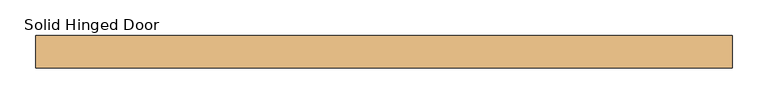
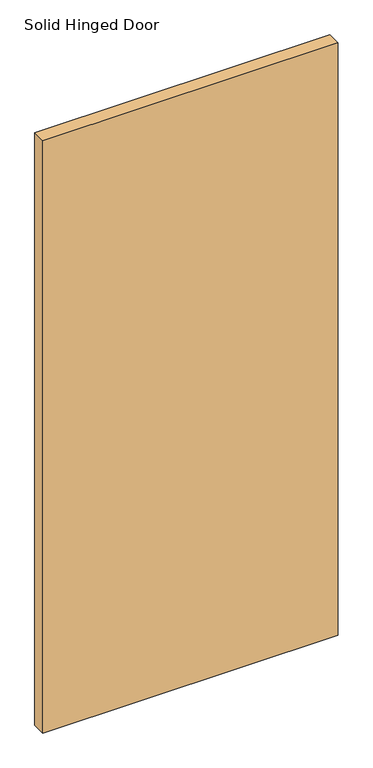
"""IFC4 building model written with IfcOpenShell, lengths in millimetres: door geometry, Solid Hinged Door."""

import ifcopenshell
import ifcopenshell.guid

model = None  # the IFC model being written
_history = None  # IfcOwnerHistory: only IFC2X3 demands one
_inside = {}  # id of a spatial element -> (the spatial element, [elements in it])
_under = {}  # id of a project, library or spatial element -> (it, [spatial elements below it])
_declared = {}  # id of a project -> (the project, [libraries it declares])
_typed = {}  # id of a type object -> (the type object, [elements of that type])
_made_of = {}  # id of a material, layer set ... -> (it, [elements and type objects made of it])


def new_model(schema):
    """Start an empty IFC model of exactly this schema.

    Asked for "IFC4X3", IfcOpenShell would pick the latest addendum, in which some entities
    have other attributes; the version numbers below select the first issue.
    IFC2X3 requires an IfcOwnerHistory on every rooted entity: one is made here for all.
    """
    global model, _history
    if schema == "IFC4X3":
        model = ifcopenshell.file(schema_version=(4, 3, 0, 0))
    else:
        model = ifcopenshell.file(schema=schema)
    _inside.clear()
    _under.clear()
    _declared.clear()
    _typed.clear()
    _made_of.clear()
    _history = None
    if model.schema == "IFC2X3":
        org = make("IfcOrganization", Name="unknown")
        user = make(
            "IfcPersonAndOrganization",
            ThePerson=make("IfcPerson", FamilyName="unknown"),
            TheOrganization=org,
        )
        app = make(
            "IfcApplication",
            ApplicationDeveloper=org,
            Version="unknown",
            ApplicationFullName="unknown",
            ApplicationIdentifier="unknown",
        )
        _history = make(
            "IfcOwnerHistory",
            OwningUser=user,
            OwningApplication=app,
            ChangeAction="ADDED",
            CreationDate=0,
        )
    return model


def make(cls, **values):
    """One entity of the class cls with the attributes given. An attribute that is None is left unset."""
    return model.create_entity(
        cls, **{name: value for name, value in values.items() if value is not None}
    )


def rooted(cls, **values):
    """An entity with a GlobalId (a new one), such as an element, a storey or a relation."""
    return make(cls, GlobalId=ifcopenshell.guid.new(), OwnerHistory=_history, **values)


def si_unit(unit_type, name, prefix=None):
    """IfcSIUnit, for example si_unit("LENGTHUNIT", "METRE", prefix="MILLI")."""
    return make("IfcSIUnit", UnitType=unit_type, Prefix=prefix, Name=name)


def assignment(units):
    """IfcUnitAssignment: the units of a project."""
    return None if units is None else make("IfcUnitAssignment", Units=units)


def point(xyz):
    """IfcCartesianPoint."""
    return None if xyz is None else make("IfcCartesianPoint", Coordinates=xyz)


def direction(xyz):
    """IfcDirection."""
    return None if xyz is None else make("IfcDirection", DirectionRatios=xyz)


def frame(location, z_axis=None, x_axis=None):
    """IfcAxis2Placement3D, a coordinate frame: its origin and axes. An axis left out is left unset."""
    return make(
        "IfcAxis2Placement3D",
        Location=point(location),
        Axis=direction(z_axis),
        RefDirection=direction(x_axis),
    )


def origin():
    """The frame at (0, 0, 0) with its axes left unset."""
    return frame((0.0, 0.0, 0.0))


def place(relative_to, where):
    """IfcLocalPlacement: puts the frame where relative to a parent placement (None: the world)."""
    return make(
        "IfcLocalPlacement", PlacementRelTo=relative_to, RelativePlacement=where
    )


def context(
    kind, dimensions, precision=None, world=None, true_north=None, identifier=None
):
    """IfcGeometricRepresentationContext, for example the 3D "Model" context."""
    return make(
        "IfcGeometricRepresentationContext",
        ContextIdentifier=identifier,
        ContextType=kind,
        CoordinateSpaceDimension=dimensions,
        Precision=precision,
        WorldCoordinateSystem=world,
        TrueNorth=true_north,
    )


def project(units=None, contexts=None):
    """IfcProject with its units and contexts."""
    return rooted(
        "IfcProject",
        Name="project",
        RepresentationContexts=contexts,
        UnitsInContext=assignment(units),
    )


def spatial(cls, under=None, at=None, **own):
    """A site, building, storey or space (cls), placed at a placement, below another one or the project."""
    s = rooted(cls, ObjectPlacement=at, **own)
    if under is not None:
        _under.setdefault(under.id(), (under, []))[1].append(s)
    return s


def polyline(points):
    """IfcPolyline through the points."""
    return make("IfcPolyline", Points=[point(p) for p in points])


def outline(outer, holes=None, kind="AREA"):
    """IfcArbitraryClosedProfileDef: a profile drawn as a closed curve; with holes, ...WithVoids."""
    if holes is None:
        return make("IfcArbitraryClosedProfileDef", ProfileType=kind, OuterCurve=outer)
    return make(
        "IfcArbitraryProfileDefWithVoids",
        ProfileType=kind,
        OuterCurve=outer,
        InnerCurves=holes,
    )


def extrude(swept, where, along, depth):
    """IfcExtrudedAreaSolid: the profile swept, set in the frame where, extruded along a direction by depth."""
    return make(
        "IfcExtrudedAreaSolid",
        SweptArea=swept,
        Position=where,
        ExtrudedDirection=direction(along),
        Depth=depth,
    )


def shape(context_of_items, identifier, shape_type, items):
    """IfcShapeRepresentation: the items that make up one representation, for example the "Body"."""
    return make(
        "IfcShapeRepresentation",
        ContextOfItems=context_of_items,
        RepresentationIdentifier=identifier,
        RepresentationType=shape_type,
        Items=items,
    )


def source(mapping_origin, context_of_items, identifier, shape_type, items):
    """IfcRepresentationMap: a shape defined once, which mapped items show again and again."""
    return make(
        "IfcRepresentationMap",
        MappingOrigin=mapping_origin,
        MappedRepresentation=shape(context_of_items, identifier, shape_type, items),
    )


def transform(
    local_origin,
    x_axis=None,
    y_axis=None,
    z_axis=None,
    scale=None,
    scale2=None,
    scale3=None,
    uniform=True,
):
    """IfcCartesianTransformationOperator3D, or its non-uniform kind. x_axis, y_axis, z_axis: its Axis1, 2, 3."""
    if uniform:
        return make(
            "IfcCartesianTransformationOperator3D",
            Axis1=direction(x_axis),
            Axis2=direction(y_axis),
            LocalOrigin=point(local_origin),
            Scale=scale,
            Axis3=direction(z_axis),
        )
    return make(
        "IfcCartesianTransformationOperator3DnonUniform",
        Axis1=direction(x_axis),
        Axis2=direction(y_axis),
        LocalOrigin=point(local_origin),
        Scale=scale,
        Axis3=direction(z_axis),
        Scale2=scale2,
        Scale3=scale3,
    )


def mapped(mapping_source, mapping_target):
    """IfcMappedItem: shows the shape of a source again, moved by a transform."""
    return make(
        "IfcMappedItem", MappingSource=mapping_source, MappingTarget=mapping_target
    )


def made_of(thing, what):
    """Note that an element or type object is made of a material, layer set ...; save() writes the relation."""
    if what is not None:
        _made_of.setdefault(what.id(), (what, []))[1].append(thing)
    return thing


def element(
    cls,
    number,
    at=None,
    inside=None,
    cuts=None,
    type_object=None,
    material=None,
    context=None,
    identifier="Body",
    shape_type=None,
    held_by="IfcProductDefinitionShape",
    body=None,
    shapes=None,
    **own,
):
    """One element of the class cls, such as IfcWall. Its Tag is "e" and its number.

    at: its placement. inside: the storey or other place that contains it. cuts: it is an
    opening in that element (IfcRelVoidsElement). A single representation is given by context,
    identifier, shape_type and body (its items); several are given by shapes. held_by: the class
    of the entity that holds the representations. save() writes the other relations.
    """
    e = rooted(cls, Tag="e%d" % number, ObjectPlacement=at, **own)
    if body is not None:
        shapes = [shape(context, identifier, shape_type, body)]
    if shapes is not None:
        e.Representation = make(held_by, Representations=shapes)
    if inside is not None:
        _inside.setdefault(inside.id(), (inside, []))[1].append(e)
    if cuts is not None:
        rooted(
            "IfcRelVoidsElement", RelatingBuildingElement=cuts, RelatedOpeningElement=e
        )
    if type_object is not None:
        _typed.setdefault(type_object.id(), (type_object, []))[1].append(e)
    return made_of(e, material)


def aggregate(whole, parts):
    """IfcRelAggregates: a whole, such as a stair, and the parts it consists of."""
    return rooted("IfcRelAggregates", RelatingObject=whole, RelatedObjects=parts)


def save(model, path):
    """Write the relations noted so far, then the file.

    IfcRelAggregates (storeys below a building ...), IfcRelContainedInSpatialStructure (elements
    in a storey), IfcRelDefinesByType, IfcRelAssociatesMaterial and IfcRelDeclares: one each for
    every whole, place, type object, material and project.
    """
    for whole, parts in _under.values():
        aggregate(whole, parts)
    for where, things in _inside.values():
        rooted(
            "IfcRelContainedInSpatialStructure",
            RelatedElements=things,
            RelatingStructure=where,
        )
    for kind, things in _typed.values():
        rooted("IfcRelDefinesByType", RelatedObjects=things, RelatingType=kind)
    for what, things in _made_of.values():
        rooted("IfcRelAssociatesMaterial", RelatedObjects=things, RelatingMaterial=what)
    for by, libraries in _declared.values():
        rooted("IfcRelDeclares", RelatingContext=by, RelatedDefinitions=libraries)
    model.write(path)


def solid_hinged_door_baf77f94(model_context):
    return source(origin(), model_context, "Body", "SweptSolid", [
        extrude(outline(polyline([(490.4564326, -23.114), (-490.4564326, -23.114), (-490.4564326, 23.114), (490.4564326, 23.114), (490.4564326, -23.114)])), frame((0.0, 0.0, 12.7), z_axis=(0.0, 0.0, 1.0), x_axis=(1.0, 0.0, 0.0)), (0.0, 0.0, 1.0), 2081.2635027),
        extrude(outline(polyline([(465.0564326, 9.8925062), (-465.0564326, 9.8925062), (-465.0564326, 11.4927062), (465.0564326, 11.4927062), (465.0564326, 9.8925062)])), frame((0.0, 0.0, 12.7), z_axis=(0.0, 0.0, 1.0), x_axis=(1.0, 0.0, 0.0)), (0.0, 0.0, 1.0), 254.0),
        extrude(outline(polyline([(465.0564326, 21.5138), (-465.0564326, 21.5138), (-465.0564326, 23.114), (465.0564326, 23.114), (465.0564326, 21.5138)])), frame((0.0, 0.0, 12.7), z_axis=(0.0, 0.0, 1.0), x_axis=(1.0, 0.0, 0.0)), (0.0, 0.0, 1.0), 254.0),
    ])


if __name__ == "__main__":
    model = new_model("IFC4")
    model_context = context("Model", 3, world=origin())
    ifc_project = project(units=[si_unit("LENGTHUNIT", "METRE", prefix="MILLI")], contexts=[model_context])
    site = spatial("IfcSite", under=ifc_project)
    building = spatial("IfcBuilding", under=site)
    placement = place(None, origin())
    solid_hinged_door_shape = solid_hinged_door_baf77f94(model_context)
    element("IfcDoor", 1, ObjectType="Solid Hinged Door", at=placement, inside=building, context=model_context, shape_type="MappedRepresentation", body=[
        mapped(solid_hinged_door_shape, transform((0.0, 0.0, 0.0), x_axis=(1.0, 0.0, 0.0), y_axis=(0.0, 1.0, 0.0), z_axis=(0.0, 0.0, 1.0))),
    ])
    save(model, "model.ifc")
